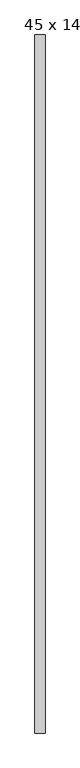
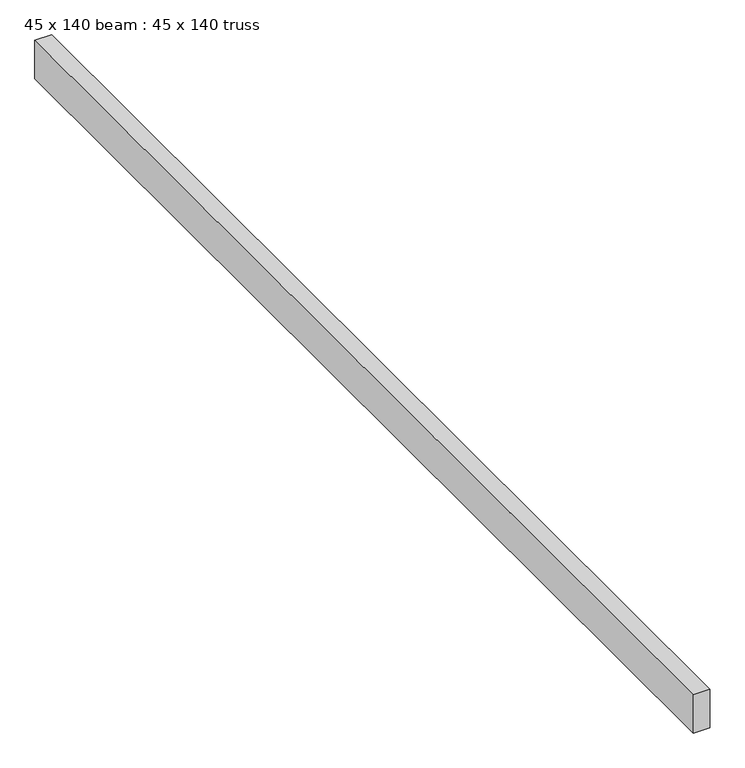
"""IFC4 building model written with IfcOpenShell, lengths in millimetres: proxy geometry, 45 x 140 beam : 45 x 140 truss."""

from ifc_helpers import new_model, si_unit, frame, origin, place, context, project, spatial, polyline, outline, extrude, source, transform, mapped, element, save


def proxy_45_x_140_beam_45_x_140_truss_281aa850(model_context):
    return source(origin(), model_context, "Body", "SweptSolid", [
        extrude(outline(polyline([(-1198.2922626, -4556.1655637), (-1243.2922626, -4556.1655637), (-1243.2922626, -1466.1655637), (-1198.2922626, -1466.1655637), (-1198.2922626, -4556.1655637)])), frame((0.0, 0.0, 3675.1978483), z_axis=(0.0, 0.0, 1.0), x_axis=(1.0, 0.0, 0.0)), (0.0, 0.0, 1.0), 109.0474323),
    ])


if __name__ == "__main__":
    model = new_model("IFC4")
    model_context = context("Model", 3, world=origin())
    ifc_project = project(units=[si_unit("LENGTHUNIT", "METRE", prefix="MILLI")], contexts=[model_context])
    site = spatial("IfcSite", under=ifc_project)
    building = spatial("IfcBuilding", under=site)
    placement = place(None, origin())
    proxy_45_x_140_beam_45_x_140_truss_shape = proxy_45_x_140_beam_45_x_140_truss_281aa850(model_context)
    element("IfcBuildingElementProxy", 1, Name="45 x 140 beam : 45 x 140 truss", ObjectType="45 x 140 beam : 45 x 140 truss", at=placement, inside=building, context=model_context, shape_type="MappedRepresentation", body=[
        mapped(proxy_45_x_140_beam_45_x_140_truss_shape, transform((0.0, 0.0, 0.0), x_axis=(1.0, 0.0, 0.0), y_axis=(0.0, 1.0, 0.0), z_axis=(0.0, 0.0, 1.0))),
    ])
    save(model, "model.ifc")
